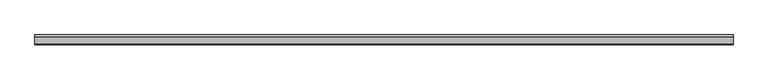
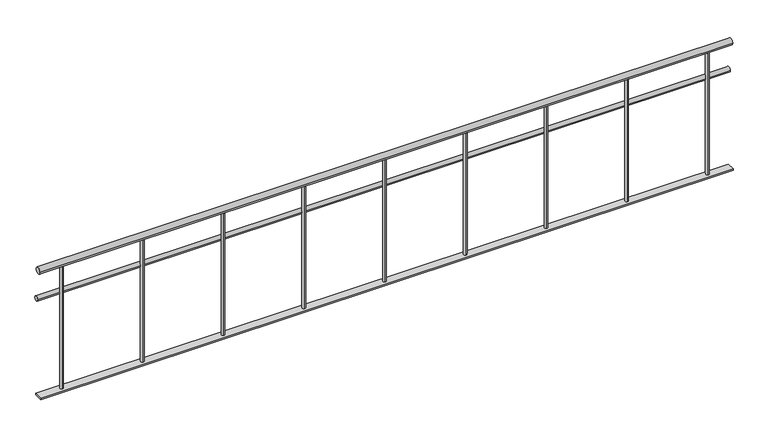
"""IFC4 building model written with IfcOpenShell, lengths in millimetres: railing geometry."""

from ifc_helpers import new_model, si_unit, point, frame, frame_2d, origin, place, context, project, spatial, polyline, circle_curve, trimmed, segment, composite_curve, outline, extrude, source, transform, mapped, element, save


def railing_d90f2f56(model_context):
    return source(origin(), model_context, "Body", "SweptSolid", [
        extrude(outline(composite_curve([segment(trimmed(circle_curve(frame_2d((-8246.8920513, 880.0)), 20.0), [point((-8266.8920513, 880.0))], [point((-8226.8920513, 880.0))], False, "CARTESIAN"), True, "CONTINUOUS"), segment(trimmed(circle_curve(frame_2d((-8246.8920513, 880.0)), 20.0), [point((-8226.8920513, 880.0))], [point((-8266.8920513, 880.0))], False, "CARTESIAN"), True, "CONTINUOUS")], self_intersect=False)), frame((-52389.9887159, 0.0, 0.0), z_axis=(1.0, 0.0, 0.0), x_axis=(0.0, 1.0, 0.0)), (0.0, 0.0, 1.0), 4290.0),
        extrude(outline(composite_curve([segment(trimmed(circle_curve(frame_2d((-8226.8920513, 685.0)), 15.0), [point((-8241.8920513, 685.0))], [point((-8211.8920513, 685.0))], False, "CARTESIAN"), True, "CONTINUOUS"), segment(trimmed(circle_curve(frame_2d((-8226.8920513, 685.0)), 15.0), [point((-8211.8920513, 685.0))], [point((-8241.8920513, 685.0))], False, "CARTESIAN"), True, "CONTINUOUS")], self_intersect=False)), frame((-52389.9887159, 0.0, 0.0), z_axis=(1.0, 0.0, 0.0), x_axis=(0.0, 1.0, 0.0)), (0.0, 0.0, 1.0), 4290.0),
        extrude(outline(polyline([(-52389.9887159, -8271.8920513), (-52389.9887159, -8221.8920513), (-48099.9887159, -8221.8920513), (-48099.9887159, -8271.8920513), (-52389.9887159, -8271.8920513)])), frame((0.0, 0.0, 50.0), z_axis=(0.0, 0.0, 1.0), x_axis=(1.0, 0.0, 0.0)), (0.0, 0.0, 1.0), 10.0),
        extrude(outline(composite_curve([segment(trimmed(circle_curve(frame_2d((-48244.9887159, -8246.8920513)), 10.0), [point((-48244.9887159, -8256.8920513))], [point((-48244.9887159, -8236.8920513))], False, "CARTESIAN"), True, "CONTINUOUS"), segment(trimmed(circle_curve(frame_2d((-48244.9887159, -8246.8920513)), 10.0), [point((-48244.9887159, -8236.8920513))], [point((-48244.9887159, -8256.8920513))], False, "CARTESIAN"), True, "CONTINUOUS")], self_intersect=False)), frame((0.0, 0.0, 60.0), z_axis=(0.0, 0.0, 1.0), x_axis=(1.0, 0.0, 0.0)), (0.0, 0.0, 1.0), 800.0),
        extrude(outline(composite_curve([segment(trimmed(circle_curve(frame_2d((-48744.9887159, -8246.8920513)), 10.0), [point((-48744.9887159, -8256.8920513))], [point((-48744.9887159, -8236.8920513))], False, "CARTESIAN"), True, "CONTINUOUS"), segment(trimmed(circle_curve(frame_2d((-48744.9887159, -8246.8920513)), 10.0), [point((-48744.9887159, -8236.8920513))], [point((-48744.9887159, -8256.8920513))], False, "CARTESIAN"), True, "CONTINUOUS")], self_intersect=False)), frame((0.0, 0.0, 60.0), z_axis=(0.0, 0.0, 1.0), x_axis=(1.0, 0.0, 0.0)), (0.0, 0.0, 1.0), 800.0),
        extrude(outline(composite_curve([segment(trimmed(circle_curve(frame_2d((-49244.9887159, -8246.8920513)), 10.0), [point((-49244.9887159, -8256.8920513))], [point((-49244.9887159, -8236.8920513))], False, "CARTESIAN"), True, "CONTINUOUS"), segment(trimmed(circle_curve(frame_2d((-49244.9887159, -8246.8920513)), 10.0), [point((-49244.9887159, -8236.8920513))], [point((-49244.9887159, -8256.8920513))], False, "CARTESIAN"), True, "CONTINUOUS")], self_intersect=False)), frame((0.0, 0.0, 60.0), z_axis=(0.0, 0.0, 1.0), x_axis=(1.0, 0.0, 0.0)), (0.0, 0.0, 1.0), 800.0),
        extrude(outline(composite_curve([segment(trimmed(circle_curve(frame_2d((-49744.9887159, -8246.8920513)), 10.0), [point((-49744.9887159, -8256.8920513))], [point((-49744.9887159, -8236.8920513))], False, "CARTESIAN"), True, "CONTINUOUS"), segment(trimmed(circle_curve(frame_2d((-49744.9887159, -8246.8920513)), 10.0), [point((-49744.9887159, -8236.8920513))], [point((-49744.9887159, -8256.8920513))], False, "CARTESIAN"), True, "CONTINUOUS")], self_intersect=False)), frame((0.0, 0.0, 60.0), z_axis=(0.0, 0.0, 1.0), x_axis=(1.0, 0.0, 0.0)), (0.0, 0.0, 1.0), 800.0),
        extrude(outline(composite_curve([segment(trimmed(circle_curve(frame_2d((-50244.9887159, -8246.8920513)), 10.0), [point((-50244.9887159, -8256.8920513))], [point((-50244.9887159, -8236.8920513))], False, "CARTESIAN"), True, "CONTINUOUS"), segment(trimmed(circle_curve(frame_2d((-50244.9887159, -8246.8920513)), 10.0), [point((-50244.9887159, -8236.8920513))], [point((-50244.9887159, -8256.8920513))], False, "CARTESIAN"), True, "CONTINUOUS")], self_intersect=False)), frame((0.0, 0.0, 60.0), z_axis=(0.0, 0.0, 1.0), x_axis=(1.0, 0.0, 0.0)), (0.0, 0.0, 1.0), 800.0),
        extrude(outline(composite_curve([segment(trimmed(circle_curve(frame_2d((-50744.9887159, -8246.8920513)), 10.0), [point((-50744.9887159, -8256.8920513))], [point((-50744.9887159, -8236.8920513))], False, "CARTESIAN"), True, "CONTINUOUS"), segment(trimmed(circle_curve(frame_2d((-50744.9887159, -8246.8920513)), 10.0), [point((-50744.9887159, -8236.8920513))], [point((-50744.9887159, -8256.8920513))], False, "CARTESIAN"), True, "CONTINUOUS")], self_intersect=False)), frame((0.0, 0.0, 60.0), z_axis=(0.0, 0.0, 1.0), x_axis=(1.0, 0.0, 0.0)), (0.0, 0.0, 1.0), 800.0),
        extrude(outline(composite_curve([segment(trimmed(circle_curve(frame_2d((-51244.9887159, -8246.8920513)), 10.0), [point((-51244.9887159, -8256.8920513))], [point((-51244.9887159, -8236.8920513))], False, "CARTESIAN"), True, "CONTINUOUS"), segment(trimmed(circle_curve(frame_2d((-51244.9887159, -8246.8920513)), 10.0), [point((-51244.9887159, -8236.8920513))], [point((-51244.9887159, -8256.8920513))], False, "CARTESIAN"), True, "CONTINUOUS")], self_intersect=False)), frame((0.0, 0.0, 60.0), z_axis=(0.0, 0.0, 1.0), x_axis=(1.0, 0.0, 0.0)), (0.0, 0.0, 1.0), 800.0),
        extrude(outline(composite_curve([segment(trimmed(circle_curve(frame_2d((-51744.9887159, -8246.8920513)), 10.0), [point((-51744.9887159, -8256.8920513))], [point((-51744.9887159, -8236.8920513))], False, "CARTESIAN"), True, "CONTINUOUS"), segment(trimmed(circle_curve(frame_2d((-51744.9887159, -8246.8920513)), 10.0), [point((-51744.9887159, -8236.8920513))], [point((-51744.9887159, -8256.8920513))], False, "CARTESIAN"), True, "CONTINUOUS")], self_intersect=False)), frame((0.0, 0.0, 60.0), z_axis=(0.0, 0.0, 1.0), x_axis=(1.0, 0.0, 0.0)), (0.0, 0.0, 1.0), 800.0),
        extrude(outline(composite_curve([segment(trimmed(circle_curve(frame_2d((-52244.9887159, -8246.8920513)), 10.0), [point((-52244.9887159, -8256.8920513))], [point((-52244.9887159, -8236.8920513))], False, "CARTESIAN"), True, "CONTINUOUS"), segment(trimmed(circle_curve(frame_2d((-52244.9887159, -8246.8920513)), 10.0), [point((-52244.9887159, -8236.8920513))], [point((-52244.9887159, -8256.8920513))], False, "CARTESIAN"), True, "CONTINUOUS")], self_intersect=False)), frame((0.0, 0.0, 60.0), z_axis=(0.0, 0.0, 1.0), x_axis=(1.0, 0.0, 0.0)), (0.0, 0.0, 1.0), 800.0),
    ])


if __name__ == "__main__":
    model = new_model("IFC4")
    model_context = context("Model", 3, world=origin())
    ifc_project = project(units=[si_unit("LENGTHUNIT", "METRE", prefix="MILLI")], contexts=[model_context])
    site = spatial("IfcSite", under=ifc_project)
    building = spatial("IfcBuilding", under=site)
    placement = place(None, origin())
    railing_shape = railing_d90f2f56(model_context)
    element("IfcRailing", 1, at=placement, inside=building, context=model_context, shape_type="MappedRepresentation", body=[
        mapped(railing_shape, transform((0.0, 0.0, 0.0), x_axis=(1.0, 0.0, 0.0), y_axis=(0.0, 1.0, 0.0), z_axis=(0.0, 0.0, 1.0))),
    ])
    save(model, "model.ifc")
